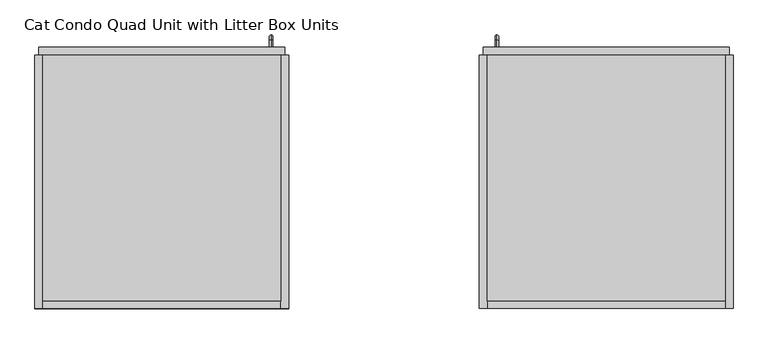
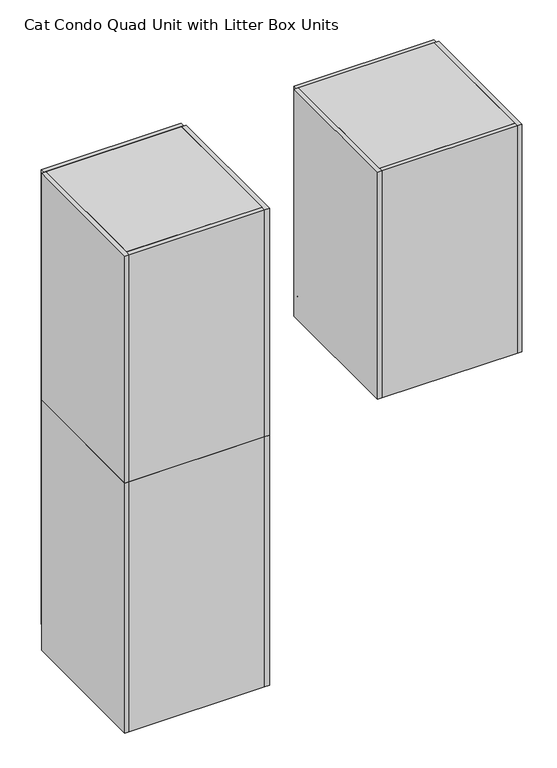
"""IFC4 building model written with IfcOpenShell, lengths in millimetres: proxy geometry, Cat Condo Quad Unit with Litter Box Units."""

from ifc_helpers import new_model, si_unit, point, frame, frame_2d, origin, origin_with_axes, place, context, project, spatial, polyline, circle_curve, ellipse_curve, trimmed, segment, composite_curve, outline, extrude, source, transform, mapped, element, save
from ifc_brep_helpers import plane_surface, cylinder_surface, revolved_surface, advanced_brep


def cat_condo_quad_unit_with_litter_box_units_7561bfe5(model_context):
    return source(origin(), model_context, "Body", "SolidModel", [
        advanced_brep(
        [(1109.2871577, 19.05, 1256.5493154), (1109.2871577, 19.05, 1264.4006846), (1109.2871577, 35.2117768, 1256.5493154), (1109.2871577, 35.2117768, 1264.4006846), (1109.2871577, 48.3756846, 1251.2367768), (1109.2871577, 40.5243154, 1251.2367768), (1109.2871577, 40.5243154, 1168.1132232), (1109.2871577, 48.3756846, 1168.1132232), (1109.2871577, 35.2117768, 1154.9493154), (1109.2871577, 35.2117768, 1162.8006846), (1109.2871577, 19.05, 1162.8006846), (1109.2871577, 19.05, 1154.9493154)],
        [
            (0, 1, circle_curve(frame((1109.2871577, 19.05, 1260.475), z_axis=(0.0, -1.0, 0.0), x_axis=(0.0, 0.0, 1.0)), 3.9256846)),
            (1, 0, circle_curve(frame((1109.2871577, 19.05, 1260.475), z_axis=(0.0, -1.0, 0.0), x_axis=(0.0, 0.0, 1.0)), 3.9256846)),
            (0, 2),
            (2, 3, circle_curve(frame((1109.2871577, 35.2117768, 1260.475), z_axis=(0.0, -1.0, 0.0), x_axis=(0.0, 0.0, 1.0)), 3.9256846)),
            (3, 1),
            (3, 2, circle_curve(frame((1109.2871577, 35.2117768, 1260.475), z_axis=(0.0, -1.0, 0.0), x_axis=(0.0, 0.0, 1.0)), 3.9256846)),
            (4, 3, circle_curve(frame((1109.2871577, 35.2117768, 1251.2367768), z_axis=(1.0, 0.0, 0.0), x_axis=(0.0, 0.0, 1.0)), 13.1639078)),
            (2, 5, circle_curve(frame((1109.2871577, 35.2117768, 1251.2367768), z_axis=(-1.0, 0.0, 0.0), x_axis=(0.0, 0.0, 1.0)), 5.3125387)),
            (5, 4, circle_curve(frame((1109.2871577, 44.45, 1251.2367768), z_axis=(0.0, 0.0, 1.0), x_axis=(0.0, 1.0, 0.0)), 3.9256846)),
            (4, 5, circle_curve(frame((1109.2871577, 44.45, 1251.2367768), z_axis=(0.0, 0.0, 1.0), x_axis=(0.0, 1.0, 0.0)), 3.9256846)),
            (5, 6),
            (6, 7, circle_curve(frame((1109.2871577, 44.45, 1168.1132232), z_axis=(0.0, 0.0, 1.0), x_axis=(0.0, 1.0, 0.0)), 3.9256846)),
            (7, 4),
            (7, 6, circle_curve(frame((1109.2871577, 44.45, 1168.1132232), z_axis=(0.0, 0.0, 1.0), x_axis=(0.0, 1.0, 0.0)), 3.9256846)),
            (8, 7, circle_curve(frame((1109.2871577, 35.2117768, 1168.1132232), z_axis=(1.0, 0.0, 0.0), x_axis=(0.0, 1.0, 0.0)), 13.1639078)),
            (6, 9, circle_curve(frame((1109.2871577, 35.2117768, 1168.1132232), z_axis=(-1.0, 0.0, 0.0), x_axis=(0.0, 1.0, 0.0)), 5.3125387)),
            (9, 8, circle_curve(frame((1109.2871577, 35.2117768, 1158.875), z_axis=(0.0, 1.0, 0.0), x_axis=(0.0, 0.0, -1.0)), 3.9256846)),
            (8, 9, circle_curve(frame((1109.2871577, 35.2117768, 1158.875), z_axis=(0.0, 1.0, 0.0), x_axis=(0.0, 0.0, -1.0)), 3.9256846)),
            (10, 11, circle_curve(frame((1109.2871577, 19.05, 1158.875), z_axis=(0.0, -1.0, 0.0), x_axis=(0.0, 0.0, -1.0)), 3.9256846)),
            (11, 10, circle_curve(frame((1109.2871577, 19.05, 1158.875), z_axis=(0.0, -1.0, 0.0), x_axis=(0.0, 0.0, -1.0)), 3.9256846)),
            (9, 10),
            (11, 8),
        ],
        [
            plane_surface(frame((1109.2871577, 19.05, 1260.475), z_axis=(0.0, -1.0, 0.0), x_axis=(-1.0, 0.0, 0.0))),
            cylinder_surface(frame((1109.2871577, 19.05, 1260.475), z_axis=(0.0, -1.0, 0.0), x_axis=(0.0, 0.0, 1.0)), 3.9256846),
            revolved_surface(trimmed(ellipse_curve(frame((1109.2871577, 35.2117768, 1260.475), z_axis=(0.0, -1.0, 0.0), x_axis=(0.0, 0.0, 1.0)), 3.9256846, 3.9256846), [point((1109.2871577, 35.2117768, 1256.5493154))], [point((1109.2871577, 35.2117768, 1264.4006846))], True, "CARTESIAN"), (1109.2871577, 35.2117768, 1251.2367768), (-1.0, 0.0, 0.0)),
            revolved_surface(trimmed(ellipse_curve(frame((1109.2871577, 35.2117768, 1260.475), z_axis=(0.0, -1.0, 0.0), x_axis=(0.0, 0.0, 1.0)), 3.9256846, 3.9256846), [point((1109.2871577, 35.2117768, 1264.4006846))], [point((1109.2871577, 35.2117768, 1256.5493154))], True, "CARTESIAN"), (1109.2871577, 35.2117768, 1251.2367768), (-1.0, 0.0, 0.0)),
            cylinder_surface(frame((1109.2871577, 44.45, 1251.2367768), z_axis=(0.0, 0.0, 1.0), x_axis=(0.0, 1.0, 0.0)), 3.9256846),
            revolved_surface(trimmed(ellipse_curve(frame((1109.2871577, 44.45, 1168.1132232), z_axis=(0.0, 0.0, 1.0), x_axis=(0.0, 1.0, 0.0)), 3.9256846, 3.9256846), [point((1109.2871577, 40.5243154, 1168.1132232))], [point((1109.2871577, 48.3756846, 1168.1132232))], True, "CARTESIAN"), (1109.2871577, 35.2117768, 1168.1132232), (-1.0, 0.0, 0.0)),
            revolved_surface(trimmed(ellipse_curve(frame((1109.2871577, 44.45, 1168.1132232), z_axis=(0.0, 0.0, 1.0), x_axis=(0.0, 1.0, 0.0)), 3.9256846, 3.9256846), [point((1109.2871577, 48.3756846, 1168.1132232))], [point((1109.2871577, 40.5243154, 1168.1132232))], True, "CARTESIAN"), (1109.2871577, 35.2117768, 1168.1132232), (-1.0, 0.0, 0.0)),
            plane_surface(frame((1109.2871577, 19.05, 1158.875), z_axis=(0.0, -1.0, 0.0), x_axis=(-1.0, 0.0, 0.0))),
            cylinder_surface(frame((1109.2871577, 35.2117768, 1158.875), z_axis=(0.0, 1.0, 0.0), x_axis=(0.0, 0.0, -1.0)), 3.9256846),
        ],
        [
            (0, [[1, 2]]),
            (1, [[-1, 3, 4, 5]]),
            (1, [[-2, -5, 6, -3]]),
            (2, [[7, -4, 8, 9]]),
            (3, [[-8, -6, -7, 10]]),
            (4, [[-9, 11, 12, 13]]),
            (4, [[-10, -13, 14, -11]]),
            (5, [[15, -12, 16, 17]]),
            (6, [[-16, -14, -15, 18]]),
            (7, [[19, 20]]),
            (8, [[-17, 21, -20, 22]]),
            (8, [[-18, -22, -19, -21]]),
        ],
    ),
        extrude(outline(polyline([(1085.85, -590.55), (1085.85, 0.0), (1657.35, 0.0), (1657.35, -590.55), (1085.85, -590.55)])), frame((0.0, 0.0, 2108.2), z_axis=(0.0, 0.0, 1.0), x_axis=(1.0, 0.0, 0.0)), (0.0, 0.0, 1.0), 19.05),
        extrude(outline(polyline([(1085.85, -590.55), (1085.85, -166.6410111), (1657.35, -374.65), (1657.35, -590.55), (1085.85, -590.55)])), frame((0.0, 0.0, 1724.025), z_axis=(0.0, 0.0, 1.0), x_axis=(1.0, 0.0, 0.0)), (0.0, 0.0, 1.0), 19.05),
        extrude(outline(composite_curve([segment(polyline([(1454.15, -590.55), (1454.15, -101.6)]), True, "CONTINUOUS"), segment(trimmed(circle_curve(frame_2d((1530.35, -101.6)), 76.2), [point((1454.15, -101.6))], [point((1530.35, -25.4))], False, "CARTESIAN"), True, "CONTINUOUS"), segment(polyline([(1530.35, -25.4), (1657.35, -25.4), (1657.35, -590.55), (1454.15, -590.55)]), True, "CONTINUOUS")], self_intersect=False)), frame((0.0, 0.0, 1419.225), z_axis=(0.0, 0.0, 1.0), x_axis=(1.0, 0.0, 0.0)), (0.0, 0.0, 1.0), 19.05),
        extrude(outline(polyline([(1085.85, 0.0), (1657.35, 0.0), (1657.35, -590.55), (1085.85, -590.55), (1085.85, 0.0)])), frame((0.0, 0.0, 1114.425), z_axis=(0.0, 0.0, 1.0), x_axis=(1.0, 0.0, 0.0)), (0.0, 0.0, 1.0), 19.05),
        extrude(outline(polyline([(1085.85, -609.6), (1066.8, -609.6), (1066.8, 0.0), (1085.85, 0.0), (1085.85, -609.6)])), frame((0.0, 0.0, 1114.425), z_axis=(0.0, 0.0, 1.0), x_axis=(1.0, 0.0, 0.0)), (0.0, 0.0, 1.0), 1012.825),
        extrude(outline(polyline([(1085.85, -609.6), (1085.85, -590.55), (1657.35, -590.55), (1657.35, -609.6), (1085.85, -609.6)])), frame((0.0, 0.0, 1114.425), z_axis=(0.0, 0.0, 1.0), x_axis=(1.0, 0.0, 0.0)), (0.0, 0.0, 1.0), 1012.825),
        extrude(outline(polyline([(1657.35, -609.6), (1657.35, 0.0), (1676.4, 0.0), (1676.4, -609.6), (1657.35, -609.6)])), frame((0.0, 0.0, 1114.425), z_axis=(0.0, 0.0, 1.0), x_axis=(1.0, 0.0, 0.0)), (0.0, 0.0, 1.0), 1012.825),
        extrude(outline(composite_curve([segment(trimmed(circle_curve(frame_2d((2022.475, 1172.36875)), 25.4), [point((2047.875, 1172.36875))], [point((2022.475, 1146.96875))], False, "CARTESIAN"), True, "CONTINUOUS"), segment(polyline([(2022.475, 1146.96875), (1270.0, 1146.96875)]), True, "CONTINUOUS"), segment(trimmed(circle_curve(frame_2d((1270.0, 1172.36875)), 25.4), [point((1270.0, 1146.96875))], [point((1244.6, 1172.36875))], False, "CARTESIAN"), True, "CONTINUOUS"), segment(polyline([(1244.6, 1172.36875), (1244.6, 1572.41875)]), True, "CONTINUOUS"), segment(trimmed(circle_curve(frame_2d((1270.0, 1572.41875)), 25.4), [point((1244.6, 1572.41875))], [point((1270.0, 1597.81875))], False, "CARTESIAN"), True, "CONTINUOUS"), segment(polyline([(1270.0, 1597.81875), (2022.475, 1597.81875)]), True, "CONTINUOUS"), segment(trimmed(circle_curve(frame_2d((2022.475, 1572.41875)), 25.4), [point((2022.475, 1597.81875))], [point((2047.875, 1572.41875))], False, "CARTESIAN"), True, "CONTINUOUS"), segment(polyline([(2047.875, 1572.41875), (2047.875, 1172.36875)]), True, "CONTINUOUS")], self_intersect=False)), frame((0.0, 6.35, 0.0), z_axis=(0.0, 1.0, 0.0), x_axis=(0.0, 0.0, 1.0)), (0.0, 0.0, 1.0), 6.35),
        extrude(outline(polyline([(2127.25, 1666.875), (2127.25, 1076.325), (1114.425, 1076.325), (1114.425, 1666.875), (2127.25, 1666.875)]), holes=[composite_curve([segment(polyline([(2047.875, 1172.36875), (2047.875, 1572.41875)]), True, "CONTINUOUS"), segment(trimmed(circle_curve(frame_2d((2022.475, 1572.41875)), 25.4), [point((2047.875, 1572.41875))], [point((2022.475, 1597.81875))], True, "CARTESIAN"), True, "CONTINUOUS"), segment(polyline([(2022.475, 1597.81875), (1270.0, 1597.81875)]), True, "CONTINUOUS"), segment(trimmed(circle_curve(frame_2d((1270.0, 1572.41875)), 25.4), [point((1270.0, 1597.81875))], [point((1244.6, 1572.41875))], True, "CARTESIAN"), True, "CONTINUOUS"), segment(polyline([(1244.6, 1572.41875), (1244.6, 1172.36875)]), True, "CONTINUOUS"), segment(trimmed(circle_curve(frame_2d((1270.0, 1172.36875)), 25.4), [point((1244.6, 1172.36875))], [point((1270.0, 1146.96875))], True, "CARTESIAN"), True, "CONTINUOUS"), segment(polyline([(1270.0, 1146.96875), (2022.475, 1146.96875)]), True, "CONTINUOUS"), segment(trimmed(circle_curve(frame_2d((2022.475, 1172.36875)), 25.4), [point((2022.475, 1146.96875))], [point((2047.875, 1172.36875))], True, "CARTESIAN"), True, "CONTINUOUS")], self_intersect=False)]), frame((0.0, 0.0, 0.0), z_axis=(0.0, 1.0, 0.0), x_axis=(0.0, 0.0, 1.0)), (0.0, 0.0, 1.0), 19.05),
        advanced_brep(
        [(567.1128423, 19.05, 1056.5243154), (567.1128423, 19.05, 1064.3756846), (567.1128423, 35.2117768, 1056.5243154), (567.1128423, 35.2117768, 1064.3756846), (567.1128423, 35.2117768, 962.7756846), (567.1128423, 19.05, 962.7756846), (567.1128423, 19.05, 954.9243154), (567.1128423, 35.2117768, 954.9243154), (567.1128423, 48.3756846, 1051.2117768), (567.1128423, 40.5243154, 1051.2117768), (567.1128423, 48.3756846, 968.0882232), (567.1128423, 40.5243154, 968.0882232)],
        [
            (0, 1, circle_curve(frame((567.1128423, 19.05, 1060.45), z_axis=(0.0, -1.0, 0.0), x_axis=(0.0, 0.0, 1.0)), 3.9256846)),
            (1, 0, circle_curve(frame((567.1128423, 19.05, 1060.45), z_axis=(0.0, -1.0, 0.0), x_axis=(0.0, 0.0, 1.0)), 3.9256846)),
            (0, 2),
            (2, 3, circle_curve(frame((567.1128423, 35.2117768, 1060.45), z_axis=(0.0, -1.0, 0.0), x_axis=(0.0, 0.0, 1.0)), 3.9256846)),
            (3, 1),
            (4, 5),
            (5, 6, circle_curve(frame((567.1128423, 19.05, 958.85), z_axis=(0.0, 1.0, 0.0), x_axis=(0.0, 0.0, -1.0)), 3.9256846)),
            (6, 7),
            (7, 4, circle_curve(frame((567.1128423, 35.2117768, 958.85), z_axis=(0.0, -1.0, 0.0), x_axis=(0.0, 0.0, -1.0)), 3.9256846)),
            (3, 2, circle_curve(frame((567.1128423, 35.2117768, 1060.45), z_axis=(0.0, -1.0, 0.0), x_axis=(0.0, 0.0, 1.0)), 3.9256846)),
            (8, 9, circle_curve(frame((567.1128423, 44.45, 1051.2117768), z_axis=(0.0, 0.0, 1.0), x_axis=(0.0, 1.0, 0.0)), 3.9256846)),
            (9, 2, circle_curve(frame((567.1128423, 35.2117768, 1051.2117768), z_axis=(1.0, 0.0, 0.0), x_axis=(0.0, 0.0, 1.0)), 5.3125387)),
            (3, 8, circle_curve(frame((567.1128423, 35.2117768, 1051.2117768), z_axis=(-1.0, 0.0, 0.0), x_axis=(0.0, 0.0, 1.0)), 13.1639078)),
            (9, 8, circle_curve(frame((567.1128423, 44.45, 1051.2117768), z_axis=(0.0, 0.0, 1.0), x_axis=(0.0, 1.0, 0.0)), 3.9256846)),
            (8, 10),
            (10, 11, circle_curve(frame((567.1128423, 44.45, 968.0882232), z_axis=(0.0, 0.0, 1.0), x_axis=(0.0, 1.0, 0.0)), 3.9256846)),
            (11, 9),
            (11, 10, circle_curve(frame((567.1128423, 44.45, 968.0882232), z_axis=(0.0, 0.0, 1.0), x_axis=(0.0, 1.0, 0.0)), 3.9256846)),
            (7, 4, circle_curve(frame((567.1128423, 35.2117768, 958.85), z_axis=(0.0, 1.0, 0.0), x_axis=(0.0, 0.0, -1.0)), 3.9256846)),
            (4, 11, circle_curve(frame((567.1128423, 35.2117768, 968.0882232), z_axis=(1.0, 0.0, 0.0), x_axis=(0.0, 1.0, 0.0)), 5.3125387)),
            (10, 7, circle_curve(frame((567.1128423, 35.2117768, 968.0882232), z_axis=(-1.0, 0.0, 0.0), x_axis=(0.0, 1.0, 0.0)), 13.1639078)),
            (5, 6, circle_curve(frame((567.1128423, 19.05, 958.85), z_axis=(0.0, -1.0, 0.0), x_axis=(0.0, 0.0, -1.0)), 3.9256846)),
        ],
        [
            plane_surface(frame((567.1128423, 19.05, 1060.45), z_axis=(0.0, -1.0, 0.0), x_axis=(1.0, 0.0, 0.0))),
            cylinder_surface(frame((567.1128423, 19.05, 1060.45), z_axis=(0.0, -1.0, 0.0), x_axis=(0.0, 0.0, 1.0)), 3.9256846),
            cylinder_surface(frame((567.1128423, 35.2117768, 958.85), z_axis=(0.0, 1.0, 0.0), x_axis=(0.0, 0.0, -1.0)), 3.9256846),
            revolved_surface(trimmed(ellipse_curve(frame((567.1128423, 35.2117768, 1060.45), z_axis=(0.0, 1.0, 0.0), x_axis=(0.0, 0.0, 1.0)), 3.9256846, 3.9256846), [point((567.1128423, 35.2117768, 1056.5243154))], [point((567.1128423, 35.2117768, 1064.3756846))], True, "CARTESIAN"), (567.1128423, 35.2117768, 1051.2117768), (1.0, 0.0, 0.0)),
            revolved_surface(trimmed(ellipse_curve(frame((567.1128423, 35.2117768, 1060.45), z_axis=(0.0, 1.0, 0.0), x_axis=(0.0, 0.0, 1.0)), 3.9256846, 3.9256846), [point((567.1128423, 35.2117768, 1064.3756846))], [point((567.1128423, 35.2117768, 1056.5243154))], True, "CARTESIAN"), (567.1128423, 35.2117768, 1051.2117768), (1.0, 0.0, 0.0)),
            cylinder_surface(frame((567.1128423, 44.45, 1051.2117768), z_axis=(0.0, 0.0, 1.0), x_axis=(0.0, 1.0, 0.0)), 3.9256846),
            revolved_surface(trimmed(ellipse_curve(frame((567.1128423, 44.45, 968.0882232), z_axis=(0.0, 0.0, -1.0), x_axis=(0.0, 1.0, 0.0)), 3.9256846, 3.9256846), [point((567.1128423, 40.5243154, 968.0882232))], [point((567.1128423, 48.3756846, 968.0882232))], True, "CARTESIAN"), (567.1128423, 35.2117768, 968.0882232), (1.0, 0.0, 0.0)),
            revolved_surface(trimmed(ellipse_curve(frame((567.1128423, 44.45, 968.0882232), z_axis=(0.0, 0.0, -1.0), x_axis=(0.0, 1.0, 0.0)), 3.9256846, 3.9256846), [point((567.1128423, 48.3756846, 968.0882232))], [point((567.1128423, 40.5243154, 968.0882232))], True, "CARTESIAN"), (567.1128423, 35.2117768, 968.0882232), (1.0, 0.0, 0.0)),
            plane_surface(frame((567.1128423, 19.05, 958.85), z_axis=(0.0, -1.0, 0.0), x_axis=(1.0, 0.0, 0.0))),
        ],
        [
            (0, [[1, 2]]),
            (1, [[3, 4, 5, -1]]),
            (2, [[6, 7, 8, 9]]),
            (1, [[-5, 10, -3, -2]]),
            (3, [[11, 12, -10, 13]]),
            (4, [[14, -13, -4, -12]]),
            (5, [[15, 16, 17, -11]]),
            (5, [[-17, 18, -15, -14]]),
            (6, [[19, 20, -16, 21]]),
            (7, [[-9, -21, -18, -20]]),
            (8, [[22, -7]]),
            (2, [[-8, -22, -6, -19]]),
        ],
    ),
        extrude(outline(polyline([(590.55, -590.55), (19.05, -590.55), (19.05, 0.0), (590.55, 0.0), (590.55, -590.55)])), frame((0.0, 0.0, 1095.375), z_axis=(0.0, 0.0, 1.0), x_axis=(1.0, 0.0, 0.0)), (0.0, 0.0, 1.0), 19.05),
        extrude(outline(polyline([(590.55, -590.55), (19.05, -590.55), (19.05, -374.65), (590.55, -166.6410111), (590.55, -590.55)])), frame((0.0, 0.0, 711.2), z_axis=(0.0, 0.0, 1.0), x_axis=(1.0, 0.0, 0.0)), (0.0, 0.0, 1.0), 19.05),
        extrude(outline(composite_curve([segment(polyline([(222.25, -590.55), (19.05, -590.55), (19.05, -25.4), (146.05, -25.4)]), True, "CONTINUOUS"), segment(trimmed(circle_curve(frame_2d((146.05, -101.6)), 76.2), [point((146.05, -25.4))], [point((222.25, -101.6))], False, "CARTESIAN"), True, "CONTINUOUS"), segment(polyline([(222.25, -101.6), (222.25, -590.55)]), True, "CONTINUOUS")], self_intersect=False)), frame((0.0, 0.0, 406.4), z_axis=(0.0, 0.0, 1.0), x_axis=(1.0, 0.0, 0.0)), (0.0, 0.0, 1.0), 19.05),
        extrude(outline(polyline([(590.55, 0.0), (590.55, -590.55), (19.05, -590.55), (19.05, 0.0), (590.55, 0.0)])), frame((0.0, 0.0, 101.6), z_axis=(0.0, 0.0, 1.0), x_axis=(1.0, 0.0, 0.0)), (0.0, 0.0, 1.0), 19.05),
        extrude(outline(polyline([(590.55, -19.05), (19.05, -19.05), (19.05, 0.0), (590.55, 0.0), (590.55, -19.05)])), origin_with_axes(), (0.0, 0.0, 1.0), 101.6),
        extrude(outline(polyline([(590.55, -609.6), (590.55, 0.0), (609.6, 0.0), (609.6, -609.6), (590.55, -609.6)])), origin_with_axes(), (0.0, 0.0, 1.0), 1114.425),
        extrude(outline(polyline([(590.55, -609.6), (19.05, -609.6), (19.05, -590.55), (590.55, -590.55), (590.55, -609.6)])), origin_with_axes(), (0.0, 0.0, 1.0), 1114.425),
        extrude(outline(polyline([(19.05, -609.6), (0.0, -609.6), (0.0, 0.0), (19.05, 0.0), (19.05, -609.6)])), origin_with_axes(), (0.0, 0.0, 1.0), 1114.425),
        extrude(outline(composite_curve([segment(polyline([(1035.05, 504.03125), (1035.05, 103.98125)]), True, "CONTINUOUS"), segment(trimmed(circle_curve(frame_2d((1009.65, 103.98125)), 25.4), [point((1035.05, 103.98125))], [point((1009.65, 78.58125))], False, "CARTESIAN"), True, "CONTINUOUS"), segment(polyline([(1009.65, 78.58125), (257.175, 78.58125)]), True, "CONTINUOUS"), segment(trimmed(circle_curve(frame_2d((257.175, 103.98125)), 25.4), [point((257.175, 78.58125))], [point((231.775, 103.98125))], False, "CARTESIAN"), True, "CONTINUOUS"), segment(polyline([(231.775, 103.98125), (231.775, 504.03125)]), True, "CONTINUOUS"), segment(trimmed(circle_curve(frame_2d((257.175, 504.03125)), 25.4), [point((231.775, 504.03125))], [point((257.175, 529.43125))], False, "CARTESIAN"), True, "CONTINUOUS"), segment(polyline([(257.175, 529.43125), (1009.65, 529.43125)]), True, "CONTINUOUS"), segment(trimmed(circle_curve(frame_2d((1009.65, 504.03125)), 25.4), [point((1009.65, 529.43125))], [point((1035.05, 504.03125))], False, "CARTESIAN"), True, "CONTINUOUS")], self_intersect=False)), frame((0.0, 6.35, 0.0), z_axis=(0.0, 1.0, 0.0), x_axis=(0.0, 0.0, 1.0)), (0.0, 0.0, 1.0), 6.35),
        extrude(outline(polyline([(1114.425, 9.525), (101.6, 9.525), (101.6, 600.075), (1114.425, 600.075), (1114.425, 9.525)]), holes=[composite_curve([segment(trimmed(circle_curve(frame_2d((1009.65, 504.03125)), 25.4), [point((1035.05, 504.03125))], [point((1009.65, 529.43125))], True, "CARTESIAN"), True, "CONTINUOUS"), segment(polyline([(1009.65, 529.43125), (257.175, 529.43125)]), True, "CONTINUOUS"), segment(trimmed(circle_curve(frame_2d((257.175, 504.03125)), 25.4), [point((257.175, 529.43125))], [point((231.775, 504.03125))], True, "CARTESIAN"), True, "CONTINUOUS"), segment(polyline([(231.775, 504.03125), (231.775, 103.98125)]), True, "CONTINUOUS"), segment(trimmed(circle_curve(frame_2d((257.175, 103.98125)), 25.4), [point((231.775, 103.98125))], [point((257.175, 78.58125))], True, "CARTESIAN"), True, "CONTINUOUS"), segment(polyline([(257.175, 78.58125), (1009.65, 78.58125)]), True, "CONTINUOUS"), segment(trimmed(circle_curve(frame_2d((1009.65, 103.98125)), 25.4), [point((1009.65, 78.58125))], [point((1035.05, 103.98125))], True, "CARTESIAN"), True, "CONTINUOUS"), segment(polyline([(1035.05, 103.98125), (1035.05, 504.03125)]), True, "CONTINUOUS")], self_intersect=False)]), frame((0.0, 0.0, 0.0), z_axis=(0.0, 1.0, 0.0), x_axis=(0.0, 0.0, 1.0)), (0.0, 0.0, 1.0), 19.05),
        advanced_brep(
        [(567.1128423, 19.05, 1256.5493154), (567.1128423, 19.05, 1264.4006846), (567.1128423, 35.2117768, 1264.4006846), (567.1128423, 35.2117768, 1256.5493154), (567.1128423, 48.3756846, 1251.2367768), (567.1128423, 40.5243154, 1251.2367768), (567.1128423, 48.3756846, 1168.1132232), (567.1128423, 40.5243154, 1168.1132232), (567.1128423, 35.2117768, 1154.9493154), (567.1128423, 35.2117768, 1162.8006846), (567.1128423, 19.05, 1162.8006846), (567.1128423, 19.05, 1154.9493154)],
        [
            (0, 1, circle_curve(frame((567.1128423, 19.05, 1260.475), z_axis=(0.0, -1.0, 0.0), x_axis=(0.0, 0.0, 1.0)), 3.9256846)),
            (1, 0, circle_curve(frame((567.1128423, 19.05, 1260.475), z_axis=(0.0, -1.0, 0.0), x_axis=(0.0, 0.0, 1.0)), 3.9256846)),
            (1, 2),
            (2, 3, circle_curve(frame((567.1128423, 35.2117768, 1260.475), z_axis=(0.0, -1.0, 0.0), x_axis=(0.0, 0.0, 1.0)), 3.9256846)),
            (3, 0),
            (3, 2, circle_curve(frame((567.1128423, 35.2117768, 1260.475), z_axis=(0.0, -1.0, 0.0), x_axis=(0.0, 0.0, 1.0)), 3.9256846)),
            (4, 5, circle_curve(frame((567.1128423, 44.45, 1251.2367768), z_axis=(0.0, 0.0, 1.0), x_axis=(0.0, 1.0, 0.0)), 3.9256846)),
            (5, 3, circle_curve(frame((567.1128423, 35.2117768, 1251.2367768), z_axis=(1.0, 0.0, 0.0), x_axis=(0.0, 0.0, 1.0)), 5.3125387)),
            (2, 4, circle_curve(frame((567.1128423, 35.2117768, 1251.2367768), z_axis=(-1.0, 0.0, 0.0), x_axis=(0.0, 0.0, 1.0)), 13.1639078)),
            (5, 4, circle_curve(frame((567.1128423, 44.45, 1251.2367768), z_axis=(0.0, 0.0, 1.0), x_axis=(0.0, 1.0, 0.0)), 3.9256846)),
            (4, 6),
            (6, 7, circle_curve(frame((567.1128423, 44.45, 1168.1132232), z_axis=(0.0, 0.0, 1.0), x_axis=(0.0, 1.0, 0.0)), 3.9256846)),
            (7, 5),
            (7, 6, circle_curve(frame((567.1128423, 44.45, 1168.1132232), z_axis=(0.0, 0.0, 1.0), x_axis=(0.0, 1.0, 0.0)), 3.9256846)),
            (8, 9, circle_curve(frame((567.1128423, 35.2117768, 1158.875), z_axis=(0.0, 1.0, 0.0), x_axis=(0.0, 0.0, -1.0)), 3.9256846)),
            (9, 7, circle_curve(frame((567.1128423, 35.2117768, 1168.1132232), z_axis=(1.0, 0.0, 0.0), x_axis=(0.0, 1.0, 0.0)), 5.3125387)),
            (6, 8, circle_curve(frame((567.1128423, 35.2117768, 1168.1132232), z_axis=(-1.0, 0.0, 0.0), x_axis=(0.0, 1.0, 0.0)), 13.1639078)),
            (9, 8, circle_curve(frame((567.1128423, 35.2117768, 1158.875), z_axis=(0.0, 1.0, 0.0), x_axis=(0.0, 0.0, -1.0)), 3.9256846)),
            (10, 11, circle_curve(frame((567.1128423, 19.05, 1158.875), z_axis=(0.0, -1.0, 0.0), x_axis=(0.0, 0.0, -1.0)), 3.9256846)),
            (11, 10, circle_curve(frame((567.1128423, 19.05, 1158.875), z_axis=(0.0, -1.0, 0.0), x_axis=(0.0, 0.0, -1.0)), 3.9256846)),
            (8, 11),
            (10, 9),
        ],
        [
            plane_surface(frame((567.1128423, 19.05, 1260.475), z_axis=(0.0, -1.0, 0.0), x_axis=(1.0, 0.0, 0.0))),
            cylinder_surface(frame((567.1128423, 19.05, 1260.475), z_axis=(0.0, -1.0, 0.0), x_axis=(0.0, 0.0, 1.0)), 3.9256846),
            revolved_surface(trimmed(ellipse_curve(frame((567.1128423, 35.2117768, 1260.475), z_axis=(0.0, 1.0, 0.0), x_axis=(0.0, 0.0, 1.0)), 3.9256846, 3.9256846), [point((567.1128423, 35.2117768, 1256.5493154))], [point((567.1128423, 35.2117768, 1264.4006846))], True, "CARTESIAN"), (567.1128423, 35.2117768, 1251.2367768), (1.0, 0.0, 0.0)),
            revolved_surface(trimmed(ellipse_curve(frame((567.1128423, 35.2117768, 1260.475), z_axis=(0.0, 1.0, 0.0), x_axis=(0.0, 0.0, 1.0)), 3.9256846, 3.9256846), [point((567.1128423, 35.2117768, 1264.4006846))], [point((567.1128423, 35.2117768, 1256.5493154))], True, "CARTESIAN"), (567.1128423, 35.2117768, 1251.2367768), (1.0, 0.0, 0.0)),
            cylinder_surface(frame((567.1128423, 44.45, 1251.2367768), z_axis=(0.0, 0.0, 1.0), x_axis=(0.0, 1.0, 0.0)), 3.9256846),
            revolved_surface(trimmed(ellipse_curve(frame((567.1128423, 44.45, 1168.1132232), z_axis=(0.0, 0.0, -1.0), x_axis=(0.0, 1.0, 0.0)), 3.9256846, 3.9256846), [point((567.1128423, 40.5243154, 1168.1132232))], [point((567.1128423, 48.3756846, 1168.1132232))], True, "CARTESIAN"), (567.1128423, 35.2117768, 1168.1132232), (1.0, 0.0, 0.0)),
            revolved_surface(trimmed(ellipse_curve(frame((567.1128423, 44.45, 1168.1132232), z_axis=(0.0, 0.0, -1.0), x_axis=(0.0, 1.0, 0.0)), 3.9256846, 3.9256846), [point((567.1128423, 48.3756846, 1168.1132232))], [point((567.1128423, 40.5243154, 1168.1132232))], True, "CARTESIAN"), (567.1128423, 35.2117768, 1168.1132232), (1.0, 0.0, 0.0)),
            plane_surface(frame((567.1128423, 19.05, 1158.875), z_axis=(0.0, -1.0, 0.0), x_axis=(1.0, 0.0, 0.0))),
            cylinder_surface(frame((567.1128423, 35.2117768, 1158.875), z_axis=(0.0, 1.0, 0.0), x_axis=(0.0, 0.0, -1.0)), 3.9256846),
        ],
        [
            (0, [[1, 2]]),
            (1, [[3, 4, 5, -2]]),
            (1, [[-5, 6, -3, -1]]),
            (2, [[7, 8, -4, 9]]),
            (3, [[10, -9, -6, -8]]),
            (4, [[11, 12, 13, -7]]),
            (4, [[-13, 14, -11, -10]]),
            (5, [[15, 16, -12, 17]]),
            (6, [[18, -17, -14, -16]]),
            (7, [[19, 20]]),
            (8, [[21, -19, 22, -15]]),
            (8, [[-22, -20, -21, -18]]),
        ],
    ),
        extrude(outline(polyline([(590.55, -590.55), (19.05, -590.55), (19.05, 0.0), (590.55, 0.0), (590.55, -590.55)])), frame((0.0, 0.0, 2108.2), z_axis=(0.0, 0.0, 1.0), x_axis=(1.0, 0.0, 0.0)), (0.0, 0.0, 1.0), 19.05),
        extrude(outline(polyline([(590.55, -590.55), (19.05, -590.55), (19.05, -374.65), (590.55, -166.6410111), (590.55, -590.55)])), frame((0.0, 0.0, 1724.025), z_axis=(0.0, 0.0, 1.0), x_axis=(1.0, 0.0, 0.0)), (0.0, 0.0, 1.0), 19.05),
        extrude(outline(composite_curve([segment(polyline([(222.25, -590.55), (19.05, -590.55), (19.05, -25.4), (146.05, -25.4)]), True, "CONTINUOUS"), segment(trimmed(circle_curve(frame_2d((146.05, -101.6)), 76.2), [point((146.05, -25.4))], [point((222.25, -101.6))], False, "CARTESIAN"), True, "CONTINUOUS"), segment(polyline([(222.25, -101.6), (222.25, -590.55)]), True, "CONTINUOUS")], self_intersect=False)), frame((0.0, 0.0, 1419.225), z_axis=(0.0, 0.0, 1.0), x_axis=(1.0, 0.0, 0.0)), (0.0, 0.0, 1.0), 19.05),
        extrude(outline(polyline([(590.55, 0.0), (590.55, -590.55), (19.05, -590.55), (19.05, 0.0), (590.55, 0.0)])), frame((0.0, 0.0, 1114.425), z_axis=(0.0, 0.0, 1.0), x_axis=(1.0, 0.0, 0.0)), (0.0, 0.0, 1.0), 19.05),
        extrude(outline(polyline([(590.55, -609.6), (590.55, 0.0), (609.6, 0.0), (609.6, -609.6), (590.55, -609.6)])), frame((0.0, 0.0, 1114.425), z_axis=(0.0, 0.0, 1.0), x_axis=(1.0, 0.0, 0.0)), (0.0, 0.0, 1.0), 1012.825),
        extrude(outline(polyline([(590.55, -609.6), (19.05, -609.6), (19.05, -590.55), (590.55, -590.55), (590.55, -609.6)])), frame((0.0, 0.0, 1114.425), z_axis=(0.0, 0.0, 1.0), x_axis=(1.0, 0.0, 0.0)), (0.0, 0.0, 1.0), 1012.825),
        extrude(outline(polyline([(19.05, -609.6), (0.0, -609.6), (0.0, 0.0), (19.05, 0.0), (19.05, -609.6)])), frame((0.0, 0.0, 1114.425), z_axis=(0.0, 0.0, 1.0), x_axis=(1.0, 0.0, 0.0)), (0.0, 0.0, 1.0), 1012.825),
        extrude(outline(composite_curve([segment(polyline([(2047.875, 504.03125), (2047.875, 103.98125)]), True, "CONTINUOUS"), segment(trimmed(circle_curve(frame_2d((2022.475, 103.98125)), 25.4), [point((2047.875, 103.98125))], [point((2022.475, 78.58125))], False, "CARTESIAN"), True, "CONTINUOUS"), segment(polyline([(2022.475, 78.58125), (1270.0, 78.58125)]), True, "CONTINUOUS"), segment(trimmed(circle_curve(frame_2d((1270.0, 103.98125)), 25.4), [point((1270.0, 78.58125))], [point((1244.6, 103.98125))], False, "CARTESIAN"), True, "CONTINUOUS"), segment(polyline([(1244.6, 103.98125), (1244.6, 504.03125)]), True, "CONTINUOUS"), segment(trimmed(circle_curve(frame_2d((1270.0, 504.03125)), 25.4), [point((1244.6, 504.03125))], [point((1270.0, 529.43125))], False, "CARTESIAN"), True, "CONTINUOUS"), segment(polyline([(1270.0, 529.43125), (2022.475, 529.43125)]), True, "CONTINUOUS"), segment(trimmed(circle_curve(frame_2d((2022.475, 504.03125)), 25.4), [point((2022.475, 529.43125))], [point((2047.875, 504.03125))], False, "CARTESIAN"), True, "CONTINUOUS")], self_intersect=False)), frame((0.0, 6.35, 0.0), z_axis=(0.0, 1.0, 0.0), x_axis=(0.0, 0.0, 1.0)), (0.0, 0.0, 1.0), 6.35),
        extrude(outline(polyline([(2127.25, 9.525), (1114.425, 9.525), (1114.425, 600.075), (2127.25, 600.075), (2127.25, 9.525)]), holes=[composite_curve([segment(trimmed(circle_curve(frame_2d((2022.475, 504.03125)), 25.4), [point((2047.875, 504.03125))], [point((2022.475, 529.43125))], True, "CARTESIAN"), True, "CONTINUOUS"), segment(polyline([(2022.475, 529.43125), (1270.0, 529.43125)]), True, "CONTINUOUS"), segment(trimmed(circle_curve(frame_2d((1270.0, 504.03125)), 25.4), [point((1270.0, 529.43125))], [point((1244.6, 504.03125))], True, "CARTESIAN"), True, "CONTINUOUS"), segment(polyline([(1244.6, 504.03125), (1244.6, 103.98125)]), True, "CONTINUOUS"), segment(trimmed(circle_curve(frame_2d((1270.0, 103.98125)), 25.4), [point((1244.6, 103.98125))], [point((1270.0, 78.58125))], True, "CARTESIAN"), True, "CONTINUOUS"), segment(polyline([(1270.0, 78.58125), (2022.475, 78.58125)]), True, "CONTINUOUS"), segment(trimmed(circle_curve(frame_2d((2022.475, 103.98125)), 25.4), [point((2022.475, 78.58125))], [point((2047.875, 103.98125))], True, "CARTESIAN"), True, "CONTINUOUS"), segment(polyline([(2047.875, 103.98125), (2047.875, 504.03125)]), True, "CONTINUOUS")], self_intersect=False)]), frame((0.0, 0.0, 0.0), z_axis=(0.0, 1.0, 0.0), x_axis=(0.0, 0.0, 1.0)), (0.0, 0.0, 1.0), 19.05),
    ])


if __name__ == "__main__":
    model = new_model("IFC4")
    model_context = context("Model", 3, world=origin())
    ifc_project = project(units=[si_unit("LENGTHUNIT", "METRE", prefix="MILLI")], contexts=[model_context])
    site = spatial("IfcSite", under=ifc_project)
    building = spatial("IfcBuilding", under=site)
    placement = place(None, origin())
    cat_condo_quad_unit_with_litter_box_units_shape = cat_condo_quad_unit_with_litter_box_units_7561bfe5(model_context)
    element("IfcBuildingElementProxy", 1, Name="Cat Condo Quad Unit with Litter Box Units", ObjectType="Cat Condo Quad Unit with Litter Box Units", at=placement, inside=building, context=model_context, shape_type="MappedRepresentation", body=[
        mapped(cat_condo_quad_unit_with_litter_box_units_shape, transform((0.0, 0.0, 0.0), x_axis=(1.0, 0.0, 0.0), y_axis=(0.0, 1.0, 0.0), z_axis=(0.0, 0.0, 1.0))),
    ])
    save(model, "model.ifc")
